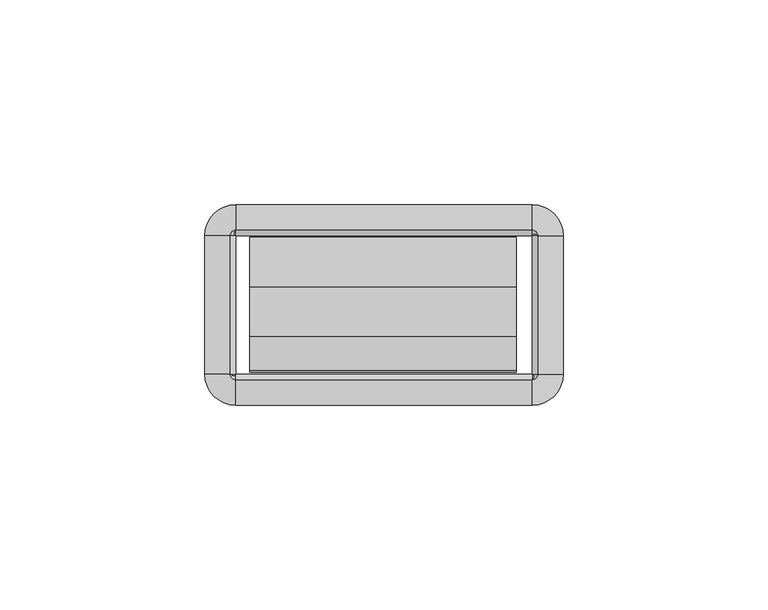
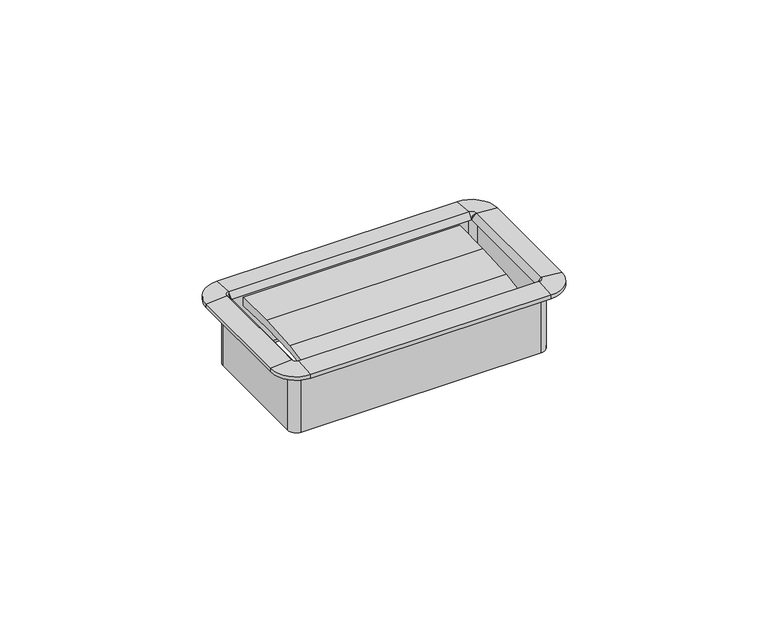
"""IFC4 building model written with IfcOpenShell, lengths in millimetres: furniture geometry."""

from ifc_helpers import new_model, si_unit, frame, origin, place, context, project, spatial, polyline, circle_curve, outline, extrude, source, transform, mapped, element, save
from ifc_brep_helpers import plane_surface, cylinder_surface, revolved_surface, advanced_brep


def furniture_830c8f89(model_context):
    return source(origin(), model_context, "Body", "SolidModel", [
        extrude(outline(polyline([(-27.4015977, 695.5713463), (-35.841251, 694.5077762), (-35.4230807, 695.8857243), (-27.1272776, 697.4247401), (-15.0207956, 698.2183076), (-2.8884162, 698.2634028), (-2.9633248, 695.5052515), (-15.1814712, 695.9042355), (-27.4015977, 695.5713463)])), frame((-32.8496732, 0.0, 0.0), z_axis=(1.0, 0.0, 0.0), x_axis=(0.0, 1.0, 0.0)), (0.0, 0.0, 1.0), 65.1763996),
        advanced_brep(
        [(37.8602578, -2.54, 698.5), (36.1704551, -0.8501974, 698.5), (36.1704551, -0.8501974, 679.6532), (37.8602578, -2.54, 679.6532), (37.5244377, -2.54, 700.1652454), (36.1704551, -1.1860174, 700.1652454), (36.1704551, -2.5172282, 698.5), (43.7913825, -2.54, 699.643), (36.1704551, 5.0809274, 699.643), (43.7913825, -2.54, 698.5), (36.1704551, 5.0809274, 698.5), (38.7104551, -2.54, 678.1799989), (36.1704551, 0.0, 678.1799989), (36.1704551, 0.0, 698.5), (38.7104551, -2.54, 698.5), (37.8602578, -36.2712, 679.6532), (37.8602578, -36.2712, 698.5), (36.1932269, -36.2712, 698.5), (37.5244377, -36.2712, 700.1652454), (43.7913825, -36.2712, 699.643), (43.7913825, -36.2712, 698.5), (38.7104551, -36.2712, 698.5), (38.7104551, -36.2712, 678.1799989), (36.1704551, -37.9610026, 698.5), (36.1704551, -37.9610026, 679.6532), (36.1704551, -37.6251826, 700.1652454), (36.1704551, -43.8921274, 699.643), (36.1704551, -43.8921274, 698.5), (36.1704551, -38.8112, 678.1799989), (36.1704551, -38.8112, 698.5), (-36.1687428, -37.9610026, 679.6532), (-36.1687428, -37.9610026, 698.5), (-36.1687428, -36.2939718, 698.5), (-36.1687428, -37.6251826, 700.1652454), (-36.1687428, -43.8921274, 699.643), (-36.1687428, -43.8921274, 698.5), (-36.1687428, -38.8112, 698.5), (-36.1687428, -38.8112, 678.1799989), (-37.8585455, -36.2712, 698.5), (-37.8585455, -36.2712, 679.6532), (-37.5227254, -36.2712, 700.1652454), (-43.7896702, -36.2712, 699.643), (-43.7896702, -36.2712, 698.5), (-38.7087428, -36.2712, 678.1799989), (-38.7087428, -36.2712, 698.5), (-37.8585455, -2.54, 679.6532), (-37.8585455, -2.54, 698.5), (-36.1915146, -2.54, 698.5), (-37.5227254, -2.54, 700.1652454), (-43.7896702, -2.54, 699.643), (-43.7896702, -2.54, 698.5), (-38.7087428, -2.54, 698.5), (-38.7087428, -2.54, 678.1799989), (-36.1687428, -0.8501974, 698.5), (-36.1687428, -0.8501974, 679.6532), (-36.1687428, -1.1860174, 700.1652454), (-36.1687428, 5.0809274, 699.643), (-36.1687428, 5.0809274, 698.5), (-36.1687428, 0.0, 678.1799989), (-36.1687428, 0.0, 698.5), (38.6519521, -2.54, 679.6532), (36.1704551, -0.058503, 679.6532), (38.6519521, -36.2712, 679.6532), (36.1704551, -38.752697, 679.6532), (-36.1687428, -38.752697, 679.6532), (-38.6502398, -36.2712, 679.6532), (-38.6502398, -2.54, 679.6532), (-36.1687428, -0.058503, 679.6532)],
        [
            (0, 1, circle_curve(frame((36.1704551, -2.54, 698.5), z_axis=(0.0, 0.0, 1.0), x_axis=(0.0, 1.0, 0.0)), 1.6898026)),
            (1, 2),
            (2, 3, circle_curve(frame((36.1704551, -2.54, 679.6532), z_axis=(0.0, 0.0, -1.0), x_axis=(0.0, 1.0, 0.0)), 1.6898026)),
            (3, 0),
            (4, 5, circle_curve(frame((36.1704551, -2.54, 700.1652454), z_axis=(0.0, 0.0, 1.0), x_axis=(0.0, 1.0, 0.0)), 1.3539826)),
            (5, 6),
            (6, 4),
            (7, 8, circle_curve(frame((36.1704551, -2.54, 699.643), z_axis=(0.0, 0.0, 1.0), x_axis=(0.0, 1.0, 0.0)), 7.6209274)),
            (8, 5),
            (4, 7),
            (9, 10, circle_curve(frame((36.1704551, -2.54, 698.5), z_axis=(0.0, 0.0, 1.0), x_axis=(0.0, 1.0, 0.0)), 7.6209274)),
            (10, 8),
            (7, 9),
            (11, 12, circle_curve(frame((36.1704551, -2.54, 678.1799989), z_axis=(0.0, 0.0, 1.0), x_axis=(0.0, 1.0, 0.0)), 2.54)),
            (12, 13),
            (13, 14, circle_curve(frame((36.1704551, -2.54, 698.5), z_axis=(0.0, 0.0, -1.0), x_axis=(0.0, 1.0, 0.0)), 2.54)),
            (14, 11),
            (3, 15),
            (15, 16),
            (16, 0),
            (6, 17),
            (17, 18),
            (18, 4),
            (18, 19),
            (19, 7),
            (19, 20),
            (20, 9),
            (14, 21),
            (21, 22),
            (22, 11),
            (23, 16, circle_curve(frame((36.1704551, -36.2712, 698.5), z_axis=(0.0, 0.0, 1.0), x_axis=(1.0, 0.0, 0.0)), 1.6898026)),
            (15, 24, circle_curve(frame((36.1704551, -36.2712, 679.6532), z_axis=(0.0, 0.0, -1.0), x_axis=(1.0, 0.0, 0.0)), 1.6898026)),
            (24, 23),
            (25, 18, circle_curve(frame((36.1704551, -36.2712, 700.1652454), z_axis=(0.0, 0.0, 1.0), x_axis=(1.0, 0.0, 0.0)), 1.3539826)),
            (17, 25),
            (26, 19, circle_curve(frame((36.1704551, -36.2712, 699.643), z_axis=(0.0, 0.0, 1.0), x_axis=(1.0, 0.0, 0.0)), 7.6209274)),
            (25, 26),
            (27, 20, circle_curve(frame((36.1704551, -36.2712, 698.5), z_axis=(0.0, 0.0, 1.0), x_axis=(1.0, 0.0, 0.0)), 7.6209274)),
            (26, 27),
            (28, 22, circle_curve(frame((36.1704551, -36.2712, 678.1799989), z_axis=(0.0, 0.0, 1.0), x_axis=(1.0, 0.0, 0.0)), 2.54)),
            (21, 29, circle_curve(frame((36.1704551, -36.2712, 698.5), z_axis=(0.0, 0.0, -1.0), x_axis=(1.0, 0.0, 0.0)), 2.54)),
            (29, 28),
            (24, 30),
            (30, 31),
            (31, 23),
            (17, 32),
            (32, 33),
            (33, 25),
            (33, 34),
            (34, 26),
            (34, 35),
            (35, 27),
            (29, 36),
            (36, 37),
            (37, 28),
            (38, 31, circle_curve(frame((-36.1687428, -36.2712, 698.5), z_axis=(0.0, 0.0, 1.0), x_axis=(0.0, -1.0, 0.0)), 1.6898026)),
            (30, 39, circle_curve(frame((-36.1687428, -36.2712, 679.6532), z_axis=(0.0, 0.0, -1.0), x_axis=(0.0, -1.0, 0.0)), 1.6898026)),
            (39, 38),
            (40, 33, circle_curve(frame((-36.1687428, -36.2712, 700.1652454), z_axis=(0.0, 0.0, 1.0), x_axis=(0.0, -1.0, 0.0)), 1.3539826)),
            (32, 40),
            (41, 34, circle_curve(frame((-36.1687428, -36.2712, 699.643), z_axis=(0.0, 0.0, 1.0), x_axis=(0.0, -1.0, 0.0)), 7.6209274)),
            (40, 41),
            (42, 35, circle_curve(frame((-36.1687428, -36.2712, 698.5), z_axis=(0.0, 0.0, 1.0), x_axis=(0.0, -1.0, 0.0)), 7.6209274)),
            (41, 42),
            (43, 37, circle_curve(frame((-36.1687428, -36.2712, 678.1799989), z_axis=(0.0, 0.0, 1.0), x_axis=(0.0, -1.0, 0.0)), 2.54)),
            (36, 44, circle_curve(frame((-36.1687428, -36.2712, 698.5), z_axis=(0.0, 0.0, -1.0), x_axis=(0.0, -1.0, 0.0)), 2.54)),
            (44, 43),
            (39, 45),
            (45, 46),
            (46, 38),
            (32, 47),
            (47, 48),
            (48, 40),
            (48, 49),
            (49, 41),
            (49, 50),
            (50, 42),
            (44, 51),
            (51, 52),
            (52, 43),
            (53, 46, circle_curve(frame((-36.1687428, -2.54, 698.5), z_axis=(0.0, 0.0, 1.0), x_axis=(-1.0, 0.0, 0.0)), 1.6898026)),
            (45, 54, circle_curve(frame((-36.1687428, -2.54, 679.6532), z_axis=(0.0, 0.0, -1.0), x_axis=(-1.0, 0.0, 0.0)), 1.6898026)),
            (54, 53),
            (55, 48, circle_curve(frame((-36.1687428, -2.54, 700.1652454), z_axis=(0.0, 0.0, 1.0), x_axis=(-1.0, 0.0, 0.0)), 1.3539826)),
            (47, 55),
            (56, 49, circle_curve(frame((-36.1687428, -2.54, 699.643), z_axis=(0.0, 0.0, 1.0), x_axis=(-1.0, 0.0, 0.0)), 7.6209274)),
            (55, 56),
            (57, 50, circle_curve(frame((-36.1687428, -2.54, 698.5), z_axis=(0.0, 0.0, 1.0), x_axis=(-1.0, 0.0, 0.0)), 7.6209274)),
            (56, 57),
            (58, 52, circle_curve(frame((-36.1687428, -2.54, 678.1799989), z_axis=(0.0, 0.0, 1.0), x_axis=(-1.0, 0.0, 0.0)), 2.54)),
            (51, 59, circle_curve(frame((-36.1687428, -2.54, 698.5), z_axis=(0.0, 0.0, -1.0), x_axis=(-1.0, 0.0, 0.0)), 2.54)),
            (59, 58),
            (54, 2),
            (1, 53),
            (6, 47),
            (5, 55),
            (8, 56),
            (10, 57),
            (13, 59),
            (12, 58),
            (60, 61, circle_curve(frame((36.1704551, -2.54, 679.6532), z_axis=(0.0, 0.0, 1.0), x_axis=(0.0, 1.0, 0.0)), 2.481497)),
            (61, 12),
            (11, 60),
            (22, 62),
            (62, 60),
            (63, 62, circle_curve(frame((36.1704551, -36.2712, 679.6532), z_axis=(0.0, 0.0, 1.0), x_axis=(1.0, 0.0, 0.0)), 2.481497)),
            (28, 63),
            (37, 64),
            (64, 63),
            (65, 64, circle_curve(frame((-36.1687428, -36.2712, 679.6532), z_axis=(0.0, 0.0, 1.0), x_axis=(0.0, -1.0, 0.0)), 2.481497)),
            (43, 65),
            (52, 66),
            (66, 65),
            (67, 66, circle_curve(frame((-36.1687428, -2.54, 679.6532), z_axis=(0.0, 0.0, 1.0), x_axis=(-1.0, 0.0, 0.0)), 2.481497)),
            (58, 67),
            (61, 67),
        ],
        [
            revolved_surface(polyline([(36.1704551, -0.8501974000000001, 679.6532), (36.1704551, -0.8501974000000001, 698.5)]), (36.1704551, -2.54, 698.5), (0.0, 0.0, -1.0)),
            revolved_surface(polyline([(36.1704551, -2.5172282, 698.5), (36.1704551, -1.1860174, 700.1652454)]), (36.1704551, -2.54, 698.5), (0.0, 0.0, -1.0)),
            revolved_surface(polyline([(36.1704551, -1.1860174, 700.1652454), (36.1704551, 5.0809274, 699.643)]), (36.1704551, -2.54, 698.5), (0.0, 0.0, -1.0)),
            cylinder_surface(frame((36.1704551, -2.54, 698.5), z_axis=(0.0, 0.0, -1.0), x_axis=(0.0, 1.0, 0.0)), 7.6209274),
            cylinder_surface(frame((36.1704551, -2.54, 698.5), z_axis=(0.0, 0.0, -1.0), x_axis=(0.0, 1.0, 0.0)), 2.54),
            plane_surface(frame((37.8602578, -2.54, 679.6532), z_axis=(-1.0, 0.0, 0.0), x_axis=(0.0, -1.0, 0.0))),
            plane_surface(frame((36.1932269, -2.54, 698.5), z_axis=(-0.7810942622858547, 0.0, 0.6244131272035499), x_axis=(0.0, -1.0, 0.0))),
            plane_surface(frame((37.5244377, -2.54, 700.1652454), z_axis=(0.08304548081379862, 0.0, 0.9965457581648749), x_axis=(0.0, -1.0, 0.0))),
            plane_surface(frame((43.7913825, -2.54, 699.643), z_axis=(1.0, 0.0, 0.0), x_axis=(0.0, -1.0, 0.0))),
            plane_surface(frame((38.7104551, -2.54, 698.5), z_axis=(1.0, 0.0, 0.0), x_axis=(0.0, -1.0, 0.0))),
            revolved_surface(polyline([(37.8602577, -36.2712, 679.6532), (37.8602577, -36.2712, 698.5)]), (36.1704551, -36.2712, 698.5), (0.0, 0.0, -1.0)),
            revolved_surface(polyline([(36.1932269, -36.2712, 698.5), (37.5244377, -36.2712, 700.1652454)]), (36.1704551, -36.2712, 698.5), (0.0, 0.0, -1.0)),
            revolved_surface(polyline([(37.5244377, -36.2712, 700.1652454), (43.7913825, -36.2712, 699.643)]), (36.1704551, -36.2712, 698.5), (0.0, 0.0, -1.0)),
            cylinder_surface(frame((36.1704551, -36.2712, 698.5), z_axis=(0.0, 0.0, -1.0), x_axis=(1.0, 0.0, 0.0)), 7.6209274),
            cylinder_surface(frame((36.1704551, -36.2712, 698.5), z_axis=(0.0, 0.0, -1.0), x_axis=(1.0, 0.0, 0.0)), 2.54),
            plane_surface(frame((36.1704551, -37.9610026, 679.6532), z_axis=(0.0, 1.0, 0.0), x_axis=(-1.0, 0.0, 0.0))),
            plane_surface(frame((36.1704551, -36.2939718, 698.5), z_axis=(0.0, 0.7810942622858565, 0.6244131272035475), x_axis=(-1.0, 0.0, 0.0))),
            plane_surface(frame((36.1704551, -37.6251826, 700.1652454), z_axis=(0.0, -0.08304548081379555, 0.9965457581648751), x_axis=(-1.0, 0.0, 0.0))),
            plane_surface(frame((36.1704551, -43.8921274, 699.643), z_axis=(0.0, -1.0, 0.0), x_axis=(-1.0, 0.0, 0.0))),
            plane_surface(frame((36.1704551, -38.8112, 698.5), z_axis=(0.0, -1.0, 0.0), x_axis=(-1.0, 0.0, 0.0))),
            revolved_surface(polyline([(-36.1687428, -37.9610026, 679.6532), (-36.1687428, -37.9610026, 698.5)]), (-36.1687428, -36.2712, 698.5), (0.0, 0.0, -1.0)),
            revolved_surface(polyline([(-36.1687428, -36.2939718, 698.5), (-36.1687428, -37.6251826, 700.1652454)]), (-36.1687428, -36.2712, 698.5), (0.0, 0.0, -1.0)),
            revolved_surface(polyline([(-36.1687428, -37.6251826, 700.1652454), (-36.1687428, -43.8921274, 699.643)]), (-36.1687428, -36.2712, 698.5), (0.0, 0.0, -1.0)),
            cylinder_surface(frame((-36.1687428, -36.2712, 698.5), z_axis=(0.0, 0.0, -1.0), x_axis=(0.0, -1.0, 0.0)), 7.6209274),
            cylinder_surface(frame((-36.1687428, -36.2712, 698.5), z_axis=(0.0, 0.0, -1.0), x_axis=(0.0, -1.0, 0.0)), 2.54),
            plane_surface(frame((-37.8585455, -36.2712, 679.6532), z_axis=(1.0, 0.0, 0.0), x_axis=(0.0, 1.0, 0.0))),
            plane_surface(frame((-36.1915146, -36.2712, 698.5), z_axis=(0.7810942622858585, 0.0, 0.6244131272035451), x_axis=(0.0, 1.0, 0.0))),
            plane_surface(frame((-37.5227254, -36.2712, 700.1652454), z_axis=(-0.08304548081379248, 0.0, 0.9965457581648753), x_axis=(0.0, 1.0, 0.0))),
            plane_surface(frame((-43.7896702, -36.2712, 699.643), z_axis=(-1.0, 0.0, 0.0), x_axis=(0.0, 1.0, 0.0))),
            plane_surface(frame((-38.7087428, -36.2712, 698.5), z_axis=(-1.0, 0.0, 0.0), x_axis=(0.0, 1.0, 0.0))),
            revolved_surface(polyline([(-37.8585454, -2.54, 679.6532), (-37.8585454, -2.54, 698.5)]), (-36.1687428, -2.54, 698.5), (0.0, 0.0, -1.0)),
            revolved_surface(polyline([(-36.1915146, -2.54, 698.5), (-37.5227254, -2.54, 700.1652454)]), (-36.1687428, -2.54, 698.5), (0.0, 0.0, -1.0)),
            revolved_surface(polyline([(-37.5227254, -2.54, 700.1652454), (-43.7896702, -2.54, 699.643)]), (-36.1687428, -2.54, 698.5), (0.0, 0.0, -1.0)),
            cylinder_surface(frame((-36.1687428, -2.54, 698.5), z_axis=(0.0, 0.0, -1.0), x_axis=(-1.0, 0.0, 0.0)), 7.6209274),
            cylinder_surface(frame((-36.1687428, -2.54, 698.5), z_axis=(0.0, 0.0, -1.0), x_axis=(-1.0, 0.0, 0.0)), 2.54),
            plane_surface(frame((-36.1687428, -0.8501974, 679.6532), z_axis=(0.0, -1.0, 0.0), x_axis=(1.0, 0.0, 0.0))),
            plane_surface(frame((-36.1687428, -0.8501974, 698.5), z_axis=(0.0, 0.0, -1.0), x_axis=(1.0, 0.0, 0.0))),
            plane_surface(frame((-36.1687428, -2.5172282, 698.5), z_axis=(0.0, -0.7810942622858567, 0.6244131272035476), x_axis=(1.0, 0.0, 0.0))),
            plane_surface(frame((-36.1687428, -1.1860174, 700.1652454), z_axis=(0.0, 0.08304548081379555, 0.9965457581648751), x_axis=(1.0, 0.0, 0.0))),
            plane_surface(frame((-36.1687428, 5.0809274, 699.643), z_axis=(0.0, 1.0, 0.0), x_axis=(1.0, 0.0, 0.0))),
            plane_surface(frame((-36.1687428, 5.0809274, 698.5), z_axis=(0.0, 0.0, -1.0), x_axis=(1.0, 0.0, 0.0))),
            plane_surface(frame((-36.1687428, 0.0, 698.5), z_axis=(0.0, 1.0, 0.0), x_axis=(1.0, 0.0, 0.0))),
            revolved_surface(polyline([(36.1704551, 0.0, 678.1799989), (36.1704551, -0.058503, 679.6532)]), (36.1704551, -2.54, 698.5), (0.0, 0.0, -1.0)),
            plane_surface(frame((38.7104551, -2.54, 678.1799989), z_axis=(-0.9992124303949471, 0.0, -0.03968020847000604), x_axis=(0.0, -1.0, 0.0))),
            revolved_surface(polyline([(38.7104551, -36.2712, 678.1799989), (38.6519521, -36.2712, 679.6532)]), (36.1704551, -36.2712, 698.5), (0.0, 0.0, -1.0)),
            plane_surface(frame((36.1704551, -38.8112, 678.1799989), z_axis=(0.0, 0.999212430394947, -0.039680208470009116), x_axis=(-1.0, 0.0, 0.0))),
            revolved_surface(polyline([(-36.1687428, -38.8112, 678.1799989), (-36.1687428, -38.752697, 679.6532)]), (-36.1687428, -36.2712, 698.5), (0.0, 0.0, -1.0)),
            plane_surface(frame((-38.7087428, -36.2712, 678.1799989), z_axis=(0.9992124303949469, 0.0, -0.03968020847001219), x_axis=(0.0, 1.0, 0.0))),
            revolved_surface(polyline([(-38.7087428, -2.54, 678.1799989), (-38.6502398, -2.54, 679.6532)]), (-36.1687428, -2.54, 698.5), (0.0, 0.0, -1.0)),
            plane_surface(frame((-36.1687428, 0.0, 678.1799989), z_axis=(0.0, -0.999212430394947, -0.039680208470009116), x_axis=(1.0, 0.0, 0.0))),
            plane_surface(frame((-36.1687428, -0.058503, 679.6532), z_axis=(0.0, 0.0, -1.0), x_axis=(1.0, 0.0, 0.0))),
        ],
        [
            (0, [[1, 2, 3, 4]]),
            (1, [[5, 6, 7]]),
            (2, [[8, 9, -5, 10]]),
            (3, [[11, 12, -8, 13]]),
            (4, [[14, 15, 16, 17]]),
            (5, [[-4, 18, 19, 20]]),
            (6, [[-7, 21, 22, 23]]),
            (7, [[-10, -23, 24, 25]]),
            (8, [[-13, -25, 26, 27]]),
            (9, [[-17, 28, 29, 30]]),
            (10, [[31, -19, 32, 33]]),
            (11, [[34, -22, 35]]),
            (12, [[36, -24, -34, 37]]),
            (13, [[38, -26, -36, 39]]),
            (14, [[40, -29, 41, 42]]),
            (15, [[-33, 43, 44, 45]]),
            (16, [[-35, 46, 47, 48]]),
            (17, [[-37, -48, 49, 50]]),
            (18, [[-39, -50, 51, 52]]),
            (19, [[-42, 53, 54, 55]]),
            (20, [[56, -44, 57, 58]]),
            (21, [[59, -47, 60]]),
            (22, [[61, -49, -59, 62]]),
            (23, [[63, -51, -61, 64]]),
            (24, [[65, -54, 66, 67]]),
            (25, [[-58, 68, 69, 70]]),
            (26, [[-60, 71, 72, 73]]),
            (27, [[-62, -73, 74, 75]]),
            (28, [[-64, -75, 76, 77]]),
            (29, [[-67, 78, 79, 80]]),
            (30, [[81, -69, 82, 83]]),
            (31, [[84, -72, 85]]),
            (32, [[86, -74, -84, 87]]),
            (33, [[88, -76, -86, 89]]),
            (34, [[90, -79, 91, 92]]),
            (35, [[-83, 93, -2, 94]]),
            (36, [[-70, -81, -94, -1, -20, -31, -45, -56], [95, -71, -46, -21]]),
            (37, [[-85, -95, -6, 96]]),
            (38, [[-87, -96, -9, 97]]),
            (39, [[-89, -97, -12, 98]]),
            (40, [[-77, -88, -98, -11, -27, -38, -52, -63], [99, -91, -78, -66, -53, -41, -28, -16]]),
            (41, [[-92, -99, -15, 100]]),
            (42, [[101, 102, -14, 103]]),
            (43, [[-103, -30, 104, 105]]),
            (44, [[106, -104, -40, 107]]),
            (45, [[-107, -55, 108, 109]]),
            (46, [[110, -108, -65, 111]]),
            (47, [[-111, -80, 112, 113]]),
            (48, [[114, -112, -90, 115]]),
            (49, [[-115, -100, -102, 116]]),
            (50, [[-113, -114, -116, -101, -105, -106, -109, -110], [-93, -82, -68, -57, -43, -32, -18, -3]]),
        ],
    ),
    ])


if __name__ == "__main__":
    model = new_model("IFC4")
    model_context = context("Model", 3, world=origin())
    ifc_project = project(units=[si_unit("LENGTHUNIT", "METRE", prefix="MILLI")], contexts=[model_context])
    site = spatial("IfcSite", under=ifc_project)
    building = spatial("IfcBuilding", under=site)
    placement = place(None, origin())
    furniture_shape = furniture_830c8f89(model_context)
    element("IfcFurniture", 1, at=placement, inside=building, context=model_context, shape_type="MappedRepresentation", body=[
        mapped(furniture_shape, transform((0.0, 0.0, 0.0), x_axis=(1.0, 0.0, 0.0), y_axis=(0.0, 1.0, 0.0), z_axis=(0.0, 0.0, 1.0))),
    ])
    save(model, "model.ifc")
